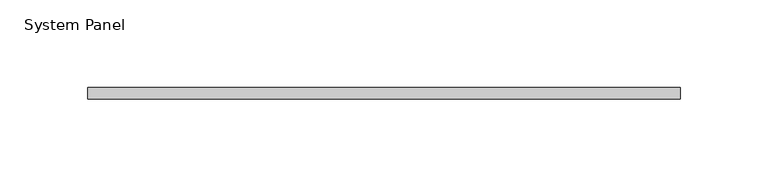
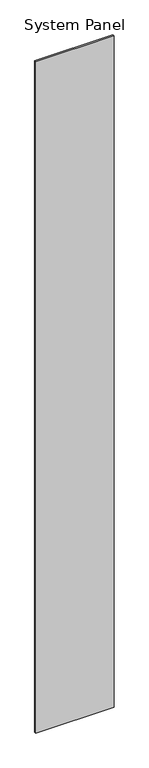
"""IFC4 building model written with IfcOpenShell, lengths in millimetres: plate geometry, System Panel."""

from ifc_helpers import new_model, si_unit, origin, origin_with_axes, place, context, project, spatial, polyline, outline, extrude, source, transform, mapped, element, save


def system_panel_3d59ecf9(model_context):
    return source(origin(), model_context, "Body", "SweptSolid", [
        extrude(outline(polyline([(168.2898274, -6.35), (-168.2898274, -6.35), (-168.2898274, 0.0), (168.2898274, 0.0), (168.2898274, -6.35)])), origin_with_axes(), (0.0, 0.0, 1.0), 3048.0),
    ])


if __name__ == "__main__":
    model = new_model("IFC4")
    model_context = context("Model", 3, world=origin())
    ifc_project = project(units=[si_unit("LENGTHUNIT", "METRE", prefix="MILLI")], contexts=[model_context])
    site = spatial("IfcSite", under=ifc_project)
    building = spatial("IfcBuilding", under=site)
    placement = place(None, origin())
    system_panel_shape = system_panel_3d59ecf9(model_context)
    element("IfcPlate", 1, ObjectType="System Panel", at=placement, inside=building, context=model_context, shape_type="MappedRepresentation", body=[
        mapped(system_panel_shape, transform((0.0, 0.0, 0.0), x_axis=(1.0, 0.0, 0.0), y_axis=(0.0, 1.0, 0.0), z_axis=(0.0, 0.0, 1.0))),
    ])
    save(model, "model.ifc")
